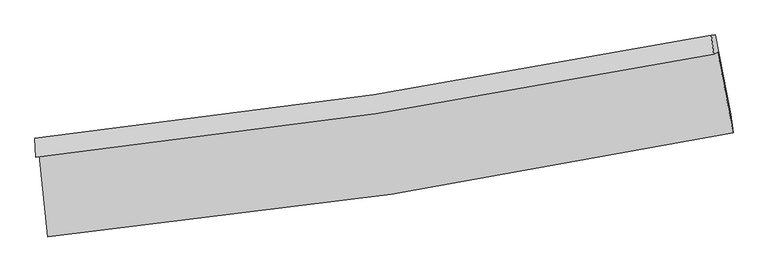
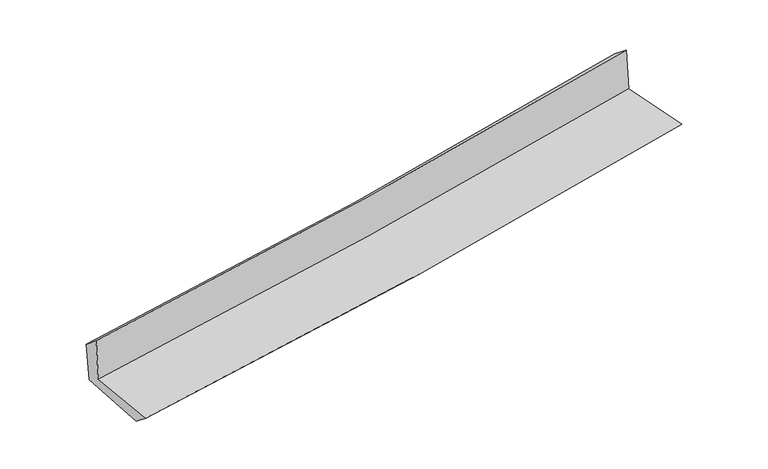
"""IFC4 building model written with IfcOpenShell, lengths in millimetres: proxy geometry."""

import ifcopenshell
import ifcopenshell.guid

model = None  # the IFC model being written
_history = None  # IfcOwnerHistory: only IFC2X3 demands one
_inside = {}  # id of a spatial element -> (the spatial element, [elements in it])
_under = {}  # id of a project, library or spatial element -> (it, [spatial elements below it])
_declared = {}  # id of a project -> (the project, [libraries it declares])
_typed = {}  # id of a type object -> (the type object, [elements of that type])
_made_of = {}  # id of a material, layer set ... -> (it, [elements and type objects made of it])


def new_model(schema):
    """Start an empty IFC model of exactly this schema.

    Asked for "IFC4X3", IfcOpenShell would pick the latest addendum, in which some entities
    have other attributes; the version numbers below select the first issue.
    IFC2X3 requires an IfcOwnerHistory on every rooted entity: one is made here for all.
    """
    global model, _history
    if schema == "IFC4X3":
        model = ifcopenshell.file(schema_version=(4, 3, 0, 0))
    else:
        model = ifcopenshell.file(schema=schema)
    _inside.clear()
    _under.clear()
    _declared.clear()
    _typed.clear()
    _made_of.clear()
    _history = None
    if model.schema == "IFC2X3":
        org = make("IfcOrganization", Name="unknown")
        user = make(
            "IfcPersonAndOrganization",
            ThePerson=make("IfcPerson", FamilyName="unknown"),
            TheOrganization=org,
        )
        app = make(
            "IfcApplication",
            ApplicationDeveloper=org,
            Version="unknown",
            ApplicationFullName="unknown",
            ApplicationIdentifier="unknown",
        )
        _history = make(
            "IfcOwnerHistory",
            OwningUser=user,
            OwningApplication=app,
            ChangeAction="ADDED",
            CreationDate=0,
        )
    return model


def make(cls, **values):
    """One entity of the class cls with the attributes given. An attribute that is None is left unset."""
    return model.create_entity(
        cls, **{name: value for name, value in values.items() if value is not None}
    )


def rooted(cls, **values):
    """An entity with a GlobalId (a new one), such as an element, a storey or a relation."""
    return make(cls, GlobalId=ifcopenshell.guid.new(), OwnerHistory=_history, **values)


def si_unit(unit_type, name, prefix=None):
    """IfcSIUnit, for example si_unit("LENGTHUNIT", "METRE", prefix="MILLI")."""
    return make("IfcSIUnit", UnitType=unit_type, Prefix=prefix, Name=name)


def assignment(units):
    """IfcUnitAssignment: the units of a project."""
    return None if units is None else make("IfcUnitAssignment", Units=units)


def point(xyz):
    """IfcCartesianPoint."""
    return None if xyz is None else make("IfcCartesianPoint", Coordinates=xyz)


def direction(xyz):
    """IfcDirection."""
    return None if xyz is None else make("IfcDirection", DirectionRatios=xyz)


def frame(location, z_axis=None, x_axis=None):
    """IfcAxis2Placement3D, a coordinate frame: its origin and axes. An axis left out is left unset."""
    return make(
        "IfcAxis2Placement3D",
        Location=point(location),
        Axis=direction(z_axis),
        RefDirection=direction(x_axis),
    )


def origin():
    """The frame at (0, 0, 0) with its axes left unset."""
    return frame((0.0, 0.0, 0.0))


def place(relative_to, where):
    """IfcLocalPlacement: puts the frame where relative to a parent placement (None: the world)."""
    return make(
        "IfcLocalPlacement", PlacementRelTo=relative_to, RelativePlacement=where
    )


def context(
    kind, dimensions, precision=None, world=None, true_north=None, identifier=None
):
    """IfcGeometricRepresentationContext, for example the 3D "Model" context."""
    return make(
        "IfcGeometricRepresentationContext",
        ContextIdentifier=identifier,
        ContextType=kind,
        CoordinateSpaceDimension=dimensions,
        Precision=precision,
        WorldCoordinateSystem=world,
        TrueNorth=true_north,
    )


def project(units=None, contexts=None):
    """IfcProject with its units and contexts."""
    return rooted(
        "IfcProject",
        Name="project",
        RepresentationContexts=contexts,
        UnitsInContext=assignment(units),
    )


def spatial(cls, under=None, at=None, **own):
    """A site, building, storey or space (cls), placed at a placement, below another one or the project."""
    s = rooted(cls, ObjectPlacement=at, **own)
    if under is not None:
        _under.setdefault(under.id(), (under, []))[1].append(s)
    return s


def shape(context_of_items, identifier, shape_type, items):
    """IfcShapeRepresentation: the items that make up one representation, for example the "Body"."""
    return make(
        "IfcShapeRepresentation",
        ContextOfItems=context_of_items,
        RepresentationIdentifier=identifier,
        RepresentationType=shape_type,
        Items=items,
    )


def source(mapping_origin, context_of_items, identifier, shape_type, items):
    """IfcRepresentationMap: a shape defined once, which mapped items show again and again."""
    return make(
        "IfcRepresentationMap",
        MappingOrigin=mapping_origin,
        MappedRepresentation=shape(context_of_items, identifier, shape_type, items),
    )


def transform(
    local_origin,
    x_axis=None,
    y_axis=None,
    z_axis=None,
    scale=None,
    scale2=None,
    scale3=None,
    uniform=True,
):
    """IfcCartesianTransformationOperator3D, or its non-uniform kind. x_axis, y_axis, z_axis: its Axis1, 2, 3."""
    if uniform:
        return make(
            "IfcCartesianTransformationOperator3D",
            Axis1=direction(x_axis),
            Axis2=direction(y_axis),
            LocalOrigin=point(local_origin),
            Scale=scale,
            Axis3=direction(z_axis),
        )
    return make(
        "IfcCartesianTransformationOperator3DnonUniform",
        Axis1=direction(x_axis),
        Axis2=direction(y_axis),
        LocalOrigin=point(local_origin),
        Scale=scale,
        Axis3=direction(z_axis),
        Scale2=scale2,
        Scale3=scale3,
    )


def mapped(mapping_source, mapping_target):
    """IfcMappedItem: shows the shape of a source again, moved by a transform."""
    return make(
        "IfcMappedItem", MappingSource=mapping_source, MappingTarget=mapping_target
    )


def made_of(thing, what):
    """Note that an element or type object is made of a material, layer set ...; save() writes the relation."""
    if what is not None:
        _made_of.setdefault(what.id(), (what, []))[1].append(thing)
    return thing


def element(
    cls,
    number,
    at=None,
    inside=None,
    cuts=None,
    type_object=None,
    material=None,
    context=None,
    identifier="Body",
    shape_type=None,
    held_by="IfcProductDefinitionShape",
    body=None,
    shapes=None,
    **own,
):
    """One element of the class cls, such as IfcWall. Its Tag is "e" and its number.

    at: its placement. inside: the storey or other place that contains it. cuts: it is an
    opening in that element (IfcRelVoidsElement). A single representation is given by context,
    identifier, shape_type and body (its items); several are given by shapes. held_by: the class
    of the entity that holds the representations. save() writes the other relations.
    """
    e = rooted(cls, Tag="e%d" % number, ObjectPlacement=at, **own)
    if body is not None:
        shapes = [shape(context, identifier, shape_type, body)]
    if shapes is not None:
        e.Representation = make(held_by, Representations=shapes)
    if inside is not None:
        _inside.setdefault(inside.id(), (inside, []))[1].append(e)
    if cuts is not None:
        rooted(
            "IfcRelVoidsElement", RelatingBuildingElement=cuts, RelatedOpeningElement=e
        )
    if type_object is not None:
        _typed.setdefault(type_object.id(), (type_object, []))[1].append(e)
    return made_of(e, material)


def aggregate(whole, parts):
    """IfcRelAggregates: a whole, such as a stair, and the parts it consists of."""
    return rooted("IfcRelAggregates", RelatingObject=whole, RelatedObjects=parts)


def save(model, path):
    """Write the relations noted so far, then the file.

    IfcRelAggregates (storeys below a building ...), IfcRelContainedInSpatialStructure (elements
    in a storey), IfcRelDefinesByType, IfcRelAssociatesMaterial and IfcRelDeclares: one each for
    every whole, place, type object, material and project.
    """
    for whole, parts in _under.values():
        aggregate(whole, parts)
    for where, things in _inside.values():
        rooted(
            "IfcRelContainedInSpatialStructure",
            RelatedElements=things,
            RelatingStructure=where,
        )
    for kind, things in _typed.values():
        rooted("IfcRelDefinesByType", RelatedObjects=things, RelatingType=kind)
    for what, things in _made_of.values():
        rooted("IfcRelAssociatesMaterial", RelatedObjects=things, RelatingMaterial=what)
    for by, libraries in _declared.values():
        rooted("IfcRelDeclares", RelatingContext=by, RelatedDefinitions=libraries)
    model.write(path)


def plane_surface(at):
    """IfcPlane: the flat surface through the origin of the frame at, square to its z axis."""
    return make("IfcPlane", Position=at)


def spline_curve(degree, points, multiplicities, knots, weights=None):
    """IfcBSplineCurveWithKnots; with weights, IfcRationalBSplineCurveWithKnots."""
    own = dict(
        Degree=degree,
        ControlPointsList=[point(p) for p in points],
        CurveForm="UNSPECIFIED",
        ClosedCurve=False,
        SelfIntersect=False,
        KnotMultiplicities=multiplicities,
        Knots=knots,
        KnotSpec="UNSPECIFIED",
    )
    if weights is None:
        return make("IfcBSplineCurveWithKnots", **own)
    return make("IfcRationalBSplineCurveWithKnots", WeightsData=weights, **own)


def spline_surface(u_degree, v_degree, points, u_multiplicities, v_multiplicities, u_knots, v_knots, weights=None):
    """IfcBSplineSurfaceWithKnots; with weights, IfcRationalBSplineSurfaceWithKnots. points: one row for each step in u."""
    own = dict(
        UDegree=u_degree,
        VDegree=v_degree,
        ControlPointsList=[[point(p) for p in row] for row in points],
        SurfaceForm="UNSPECIFIED",
        UClosed=False,
        VClosed=False,
        SelfIntersect=False,
        UMultiplicities=u_multiplicities,
        VMultiplicities=v_multiplicities,
        UKnots=u_knots,
        VKnots=v_knots,
        KnotSpec="UNSPECIFIED",
    )
    if weights is None:
        return make("IfcBSplineSurfaceWithKnots", **own)
    return make("IfcRationalBSplineSurfaceWithKnots", WeightsData=weights, **own)


def advanced_brep(points, edges, surfaces, faces):
    """IfcAdvancedBrep: a solid bounded by faces that lie on surfaces and meet in shared edges.

    An edge is (start, end): straight between two places in points (the first is 0);
    or (start, end, curve); or (start, end, curve, False) where it runs against its curve.
    A face is (place in surfaces, loops), or (place, loops, False) where it looks against
    its surface's normal. A loop lists edges by number (the first is 1), with a minus sign
    where the edge is run from its end to its start. The first loop is the outer one.
    """
    corners = [point(p) for p in points]
    vertices = [make("IfcVertexPoint", VertexGeometry=c) for c in corners]
    made = []
    for start, end, *more in edges:
        made.append(
            make(
                "IfcEdgeCurve",
                EdgeStart=vertices[start],
                EdgeEnd=vertices[end],
                EdgeGeometry=more[0] if more else make("IfcPolyline", Points=[corners[start], corners[end]]),
                SameSense=more[1] if len(more) > 1 else True,
            )
        )
    hull = []
    for where, loops, *sense in faces:
        bounds = []
        for j, loop in enumerate(loops):
            ring = [make("IfcOrientedEdge", EdgeElement=made[abs(k) - 1], Orientation=k > 0) for k in loop]
            bounds.append(
                make(
                    "IfcFaceOuterBound" if j == 0 else "IfcFaceBound",
                    Bound=make("IfcEdgeLoop", EdgeList=ring),
                    Orientation=True,
                )
            )
        hull.append(make("IfcAdvancedFace", Bounds=bounds, FaceSurface=surfaces[where], SameSense=sense[0] if sense else True))
    return make("IfcAdvancedBrep", Outer=make("IfcClosedShell", CfsFaces=hull))


def generic_models_bf45e8a2(model_context):
    return source(origin(), model_context, "Body", "AdvancedBrep", [
        advanced_brep(
        [(-2792.6016433, -1896.8708208, 1645.8433916), (-2723.99444, -2562.0288211, 1633.2216289), (2868.8088296, -1713.9748083, 2117.345006), (2741.9679734, -1057.3527983, 2125.113906), (-2824.0330267, -1913.1095615, 2051.5787658), (2710.2629202, -1073.732928, 2534.3819753), (-2829.7426063, -1758.2263779, 1928.6103305), (2690.9323155, -918.0692456, 2410.1152778), (-2799.607563, -1754.7951102, 1554.7333784), (2721.6581549, -914.5381419, 2041.3402851), (-2729.3728728, -2412.423985, 1512.7689296), (2848.9302188, -1560.4626317, 2004.3683904)],
        [
            (0, 1),
            (1, 2, spline_curve(3, [(-2723.99444, -2562.0288211, 1633.2216289), (-1786.804836366, -2471.11208882, 1723.432183434), (-852.637043666, -2355.084758501, 1808.843164473), (1011.64363423, -2072.507463116, 1970.238146683), (1941.743598424, -1905.850122368, 2046.201625013), (2868.8088296, -1713.9748083, 2117.345006)], [4, 2, 4], [0.0, 9.258599260833835, 18.53697277523947])),
            (2, 3),
            (3, 0, spline_curve(3, [(2741.9679734, -1057.3527983, 2125.113906), (1824.499114362, -1240.637860766, 2054.971069246), (904.055381276, -1402.291806469, 1979.912598354), (-940.813824235, -1682.039044302, 1820.134829845), (-1865.226630158, -1800.22443955, 1735.436462682), (-2792.6016433, -1896.8708208, 1645.8433916)], [4, 2, 4], [0.0, 9.278373514405635, 18.53697277523947])),
            (4, 0),
            (3, 5),
            (5, 4, spline_curve(3, [(2710.2629202, -1073.732928, 2534.3819753), (1793.18846876, -1256.8142233, 2459.147883622), (872.964584072, -1418.354586534, 2381.251480823), (-971.81414175, -1698.055078504, 2220.305741704), (-1896.355572366, -1816.306926696, 2137.267741393), (-2824.0330267, -1913.1095615, 2051.5787658)], [4, 2, 4], [0.0, 9.229343443328931, 18.43901712694553])),
            (6, 4),
            (5, 7),
            (7, 6, spline_curve(3, [(2690.9323155, -918.0692456, 2410.1152778), (1776.684204682, -1101.514412359, 2331.886679178), (859.009490891, -1263.301697495, 2252.603039802), (-981.230073305, -1543.261858142, 2092.096898187), (-1903.780333248, -1661.526950318, 2010.878888733), (-2829.7426063, -1758.2263779, 1928.6103305)], [4, 2, 4], [0.0, 9.218289714009014, 18.416933226232757])),
            (8, 6),
            (7, 9),
            (9, 8, spline_curve(3, [(2721.6581549, -914.5381419, 2041.3402851), (1807.709022873, -1097.962591503, 1957.255526801), (890.134300909, -1259.747866748, 1874.620860392), (-950.303042342, -1539.741385305, 1712.424732384), (-1873.150226404, -1658.041766412, 1632.857096977), (-2799.607563, -1754.7951102, 1554.7333784)], [4, 2, 4], [0.0, 9.208134206933613, 18.39664385569996])),
            (10, 8),
            (9, 11),
            (11, 10, spline_curve(3, [(2848.9302188, -1560.4626317, 2004.3683904), (1926.348655266, -1757.549898271, 1918.690740903), (999.699061155, -1927.136741931, 1834.843544051), (-859.752623703, -2211.006765473, 1670.98485086), (-1792.537393728, -2325.407039685, 1590.96556099), (-2729.3728728, -2412.423985, 1512.7689296)], [4, 2, 4], [0.0, 9.25775863040429, 18.49578694208624])),
            (1, 10),
            (11, 2),
        ],
        [
            spline_surface(3, 3, [[(-2792.6016433, -1896.8708208, 1645.8433916), (-1865.226630242, -1800.224439462, 1735.436462804), (-940.81382427, -1682.039044264, 1820.134829891), (904.055381311, -1402.291806508, 1979.912598308), (1824.499114293, -1240.637860879, 2054.971069322), (2741.9679734, -1057.3527983, 2125.113906)], [(-2769.732575549, -2118.590154242, 1641.636137395), (-1839.086032278, -2023.853655925, 1731.435036352), (-911.421564083, -1906.38761568, 1816.37094139), (939.918132341, -1625.697025377, 1976.687781163), (1863.580608983, -1462.375281425, 2052.047921175), (2784.248258804, -1276.226801633, 2122.524272648)], [(-2746.863507751, -2340.309487658, 1637.428883105), (-1812.945434267, -2247.482872361, 1727.433609814), (-882.029303959, -2130.736187091, 1812.607052838), (975.780883306, -1849.102244241, 1973.462963965), (1902.662103661, -1684.112701972, 2049.124773085), (2826.528544196, -1495.100804967, 2119.934639352)], [(-2723.99444, -2562.0288211, 1633.2216289), (-1786.804836303, -2471.112088824, 1723.432183362), (-852.637043772, -2355.084758507, 1808.843164337), (1011.643634336, -2072.50746311, 1970.238146819), (1941.743598351, -1905.850122518, 2046.201624938), (2868.8088296, -1713.9748083, 2117.345006)]], [4, 4], [4, 2, 4], [0.0, 2.227056270449846], [0.0, 9.258599260833835, 18.53697277523947]),
            spline_surface(3, 3, [[(-2824.0330267, -1913.1095615, 2051.5787658), (-1896.355572358, -1816.306926601, 2137.267741334), (-971.814141636, -1698.055078562, 2220.305741753), (872.964583958, -1418.354586475, 2381.251480775), (1793.188468881, -1256.814223353, 2459.147883506), (2710.2629202, -1073.732928, 2534.3819753)], [(-2813.5558989, -1907.696647938, 1916.333641051), (-1885.979258319, -1810.946097559, 2003.323981808), (-961.480702522, -1692.716400464, 2086.915437783), (883.328183067, -1413.000326487, 2247.47185327), (1803.625350664, -1251.422102533, 2324.422278771), (2720.831271246, -1068.272884771, 2397.959285526)], [(-2803.0787711, -1902.283734362, 1781.088516349), (-1875.602944281, -1805.585268504, 1869.38022233), (-951.147263384, -1687.377722362, 1953.525133861), (893.691782202, -1407.646066496, 2113.692225813), (1814.062232509, -1246.029981699, 2189.696674057), (2731.399622354, -1062.812841529, 2261.536595774)], [(-2792.6016433, -1896.8708208, 1645.8433916), (-1865.226630242, -1800.224439462, 1735.436462804), (-940.81382427, -1682.039044264, 1820.134829891), (904.055381311, -1402.291806508, 1979.912598308), (1824.499114293, -1240.637860879, 2054.971069322), (2741.9679734, -1057.3527983, 2125.113906)]], [4, 4], [4, 2, 4], [0.0, 1.319805633391064], [0.0, 9.209673683616598, 18.43901712694553]),
            spline_surface(3, 3, [[(-2829.7426063, -1758.2263779, 1928.6103305), (-1903.780333338, -1661.526950295, 2010.878888742), (-981.230073231, -1543.261858017, 2092.096898317), (859.009490818, -1263.30169762, 2252.603039671), (1776.684204661, -1101.514412475, 2331.886679201), (2690.9323155, -918.0692456, 2410.1152778)], [(-2827.839413079, -1809.854105756, 1969.599808938), (-1901.305412991, -1713.12027572, 2053.008506278), (-978.09142937, -1594.859598168, 2134.833179462), (863.661188527, -1314.985993875, 2295.485853372), (1782.185626091, -1153.281016092, 2374.307080652), (2697.375850423, -969.957139724, 2451.537510316)], [(-2825.936219921, -1861.481833644, 2010.589287362), (-1898.830492705, -1764.713601176, 2095.138123798), (-974.952785497, -1646.457338411, 2177.569460608), (868.312886248, -1366.670290221, 2338.368667074), (1787.687047451, -1205.047619736, 2416.727482055), (2703.819385277, -1021.845033876, 2492.959742784)], [(-2824.0330267, -1913.1095615, 2051.5787658), (-1896.355572358, -1816.306926601, 2137.267741334), (-971.814141636, -1698.055078562, 2220.305741753), (872.964583958, -1418.354586475, 2381.251480775), (1793.188468881, -1256.814223353, 2459.147883506), (2710.2629202, -1073.732928, 2534.3819753)]], [4, 4], [4, 2, 4], [0.0, 0.6613308892702473], [0.0, 9.198643512223743, 18.416933226232757]),
            spline_surface(3, 3, [[(-2799.607563, -1754.7951102, 1554.7333784), (-1873.15022646, -1658.0417664, 1632.857096842), (-950.303042398, -1539.741385376, 1712.424732427), (890.134300964, -1259.747866676, 1874.620860349), (1807.709022859, -1097.962591577, 1957.255526937), (2721.6581549, -914.5381419, 2041.3402851)], [(-2809.652577445, -1755.938866108, 1679.359029109), (-1883.360262098, -1659.203494373, 1758.864360818), (-960.612052659, -1540.914876275, 1838.982121055), (879.759364265, -1260.93247701, 2000.61492012), (1797.367416768, -1099.146531869, 2082.132577669), (2711.416208408, -915.715176459, 2164.265282644)], [(-2819.697591855, -1757.082621992, 1803.984679791), (-1893.570297701, -1660.365222322, 1884.871624766), (-970.92106297, -1542.088367118, 1965.53950969), (869.384427517, -1262.117087287, 2126.608979899), (1787.025810752, -1100.330472183, 2207.009628469), (2701.174261992, -916.892211041, 2287.190280256)], [(-2829.7426063, -1758.2263779, 1928.6103305), (-1903.780333338, -1661.526950295, 2010.878888742), (-981.230073231, -1543.261858017, 2092.096898317), (859.009490818, -1263.30169762, 2252.603039671), (1776.684204661, -1101.514412475, 2331.886679201), (2690.9323155, -918.0692456, 2410.1152778)]], [4, 4], [4, 2, 4], [0.0, 1.2470808065682601], [0.0, 9.188509648766347, 18.39664385569996]),
            spline_surface(3, 3, [[(-2729.3728728, -2412.423985, 1512.7689296), (-1792.537393703, -2325.407039747, 1590.965560921), (-859.752623842, -2211.006765603, 1670.984850936), (999.699061294, -1927.1367418, 1834.843543975), (1926.348655275, -1757.549898217, 1918.690740923), (2848.9302188, -1560.4626317, 2004.3683904)], [(-2752.784436181, -2193.214360055, 1526.757079181), (-1819.408337937, -2102.95194862, 1604.929406208), (-889.936096692, -1987.251638872, 1684.798144779), (963.177474519, -1704.673783437, 1848.102649446), (1886.802111148, -1537.68746269, 1931.54566962), (2806.506197512, -1345.154468453, 2016.692355325)], [(-2776.195999619, -1974.004735145, 1540.745228819), (-1846.279282227, -1880.496857528, 1618.893251554), (-920.119569547, -1763.496512107, 1698.611438584), (926.655887739, -1482.210825039, 1861.361754878), (1847.255566986, -1317.825027105, 1944.40059824), (2764.082176188, -1129.846305147, 2029.016320175)], [(-2799.607563, -1754.7951102, 1554.7333784), (-1873.15022646, -1658.0417664, 1632.857096842), (-950.303042398, -1539.741385376, 1712.424732427), (890.134300964, -1259.747866676, 1874.620860349), (1807.709022859, -1097.962591577, 1957.255526937), (2721.6581549, -914.5381419, 2041.3402851)]], [4, 4], [4, 2, 4], [0.0, 2.224345902034822], [0.0, 9.238028311681951, 18.49578694208624]),
            spline_surface(3, 3, [[(-2723.99444, -2562.0288211, 1633.2216289), (-1786.804836303, -2471.112088824, 1723.432183362), (-852.637043772, -2355.084758507, 1808.843164337), (1011.643634336, -2072.50746311, 1970.238146819), (1941.743598351, -1905.850122518, 2046.201624938), (2868.8088296, -1713.9748083, 2117.345006)], [(-2725.787250946, -2512.160542401, 1593.070729126), (-1788.715688782, -2422.543739132, 1679.27664254), (-855.008903822, -2307.05876087, 1762.890393192), (1007.662109961, -2024.050556004, 1925.106612527), (1936.611950666, -1856.416714411, 2003.697996941), (2862.182626007, -1662.80408276, 2079.686134141)], [(-2727.580061854, -2462.292263699, 1552.919829374), (-1790.626541224, -2373.975389439, 1635.121101742), (-857.380763791, -2259.032763241, 1716.937622081), (1003.680585668, -1975.593648906, 1879.975078268), (1931.48030296, -1806.983306325, 1961.19436892), (2855.556422393, -1611.63335724, 2042.027262259)], [(-2729.3728728, -2412.423985, 1512.7689296), (-1792.537393703, -2325.407039747, 1590.965560921), (-859.752623842, -2211.006765603, 1670.984850936), (999.699061294, -1927.1367418, 1834.843543975), (1926.348655275, -1757.549898217, 1918.690740923), (2848.9302188, -1560.4626317, 2004.3683904)]], [4, 4], [4, 2, 4], [0.0, 0.6537235169697884], [0.0, 9.29705648798395, 18.613969365394155]),
            plane_surface(frame((2763.7600687, -1206.3550923, 2205.4441401), z_axis=(0.9786164304700105, 0.1880550787754854, 0.0833376827184523), x_axis=(-0.08302718152813378, -0.009541727451245801, 0.9965016018876942))),
            plane_surface(frame((-2783.2253587, -2049.5757794, 1721.1260708), z_axis=(-0.9916216135000964, -0.10074584700002348, -0.0808507881947555), x_axis=(-0.10258162539114231, 0.9945455517801962, 0.018872084313513005))),
        ],
        [
            (0, [[1, 2, 3, 4]]),
            (1, [[5, -4, 6, 7]]),
            (2, [[8, -7, 9, 10]]),
            (3, [[11, -10, 12, 13]]),
            (4, [[14, -13, 15, 16]]),
            (5, [[17, -16, 18, -2]]),
            (6, [[-12, -9, -6, -3, -18, -15]]),
            (7, [[-1, -5, -8, -11, -14, -17]]),
        ],
    ),
    ])


if __name__ == "__main__":
    model = new_model("IFC4")
    model_context = context("Model", 3, world=origin())
    ifc_project = project(units=[si_unit("LENGTHUNIT", "METRE", prefix="MILLI")], contexts=[model_context])
    site = spatial("IfcSite", under=ifc_project)
    building = spatial("IfcBuilding", under=site)
    placement = place(None, origin())
    generic_models_shape = generic_models_bf45e8a2(model_context)
    element("IfcBuildingElementProxy", 1, Name="Generic Models", at=placement, inside=building, context=model_context, shape_type="MappedRepresentation", body=[
        mapped(generic_models_shape, transform((0.0, 0.0, 0.0), x_axis=(1.0, 0.0, 0.0), y_axis=(0.0, 1.0, 0.0), z_axis=(0.0, 0.0, 1.0))),
    ])
    save(model, "model.ifc")
